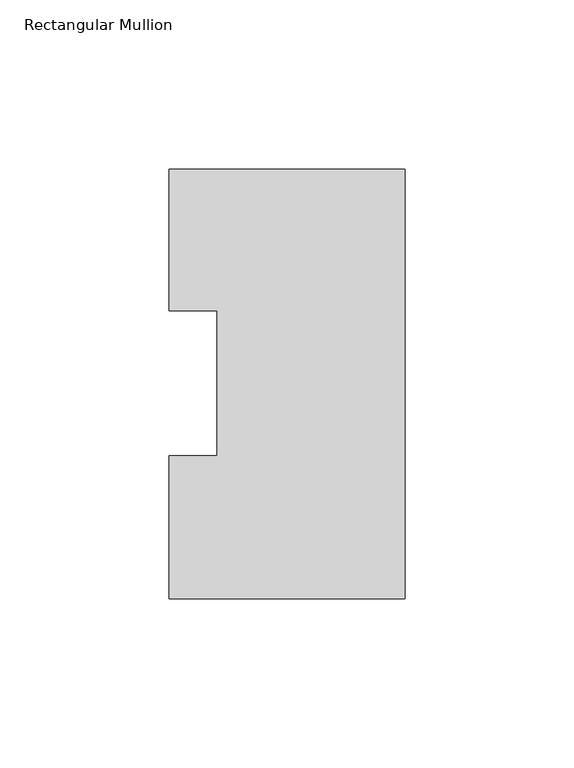
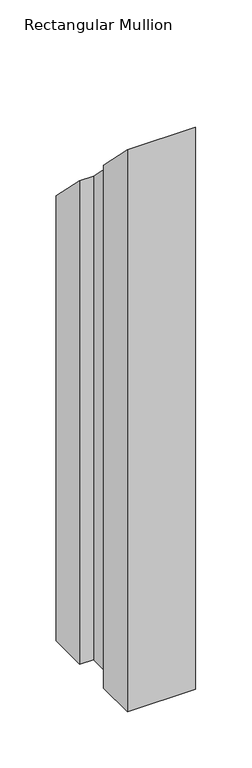
"""IFC4 building model written with IfcOpenShell, lengths in millimetres: member geometry, Rectangular Mullion."""

import ifcopenshell
import ifcopenshell.guid

model = None  # the IFC model being written
_history = None  # IfcOwnerHistory: only IFC2X3 demands one
_inside = {}  # id of a spatial element -> (the spatial element, [elements in it])
_under = {}  # id of a project, library or spatial element -> (it, [spatial elements below it])
_declared = {}  # id of a project -> (the project, [libraries it declares])
_typed = {}  # id of a type object -> (the type object, [elements of that type])
_made_of = {}  # id of a material, layer set ... -> (it, [elements and type objects made of it])


def new_model(schema):
    """Start an empty IFC model of exactly this schema.

    Asked for "IFC4X3", IfcOpenShell would pick the latest addendum, in which some entities
    have other attributes; the version numbers below select the first issue.
    IFC2X3 requires an IfcOwnerHistory on every rooted entity: one is made here for all.
    """
    global model, _history
    if schema == "IFC4X3":
        model = ifcopenshell.file(schema_version=(4, 3, 0, 0))
    else:
        model = ifcopenshell.file(schema=schema)
    _inside.clear()
    _under.clear()
    _declared.clear()
    _typed.clear()
    _made_of.clear()
    _history = None
    if model.schema == "IFC2X3":
        org = make("IfcOrganization", Name="unknown")
        user = make(
            "IfcPersonAndOrganization",
            ThePerson=make("IfcPerson", FamilyName="unknown"),
            TheOrganization=org,
        )
        app = make(
            "IfcApplication",
            ApplicationDeveloper=org,
            Version="unknown",
            ApplicationFullName="unknown",
            ApplicationIdentifier="unknown",
        )
        _history = make(
            "IfcOwnerHistory",
            OwningUser=user,
            OwningApplication=app,
            ChangeAction="ADDED",
            CreationDate=0,
        )
    return model


def make(cls, **values):
    """One entity of the class cls with the attributes given. An attribute that is None is left unset."""
    return model.create_entity(
        cls, **{name: value for name, value in values.items() if value is not None}
    )


def rooted(cls, **values):
    """An entity with a GlobalId (a new one), such as an element, a storey or a relation."""
    return make(cls, GlobalId=ifcopenshell.guid.new(), OwnerHistory=_history, **values)


def si_unit(unit_type, name, prefix=None):
    """IfcSIUnit, for example si_unit("LENGTHUNIT", "METRE", prefix="MILLI")."""
    return make("IfcSIUnit", UnitType=unit_type, Prefix=prefix, Name=name)


def assignment(units):
    """IfcUnitAssignment: the units of a project."""
    return None if units is None else make("IfcUnitAssignment", Units=units)


def point(xyz):
    """IfcCartesianPoint."""
    return None if xyz is None else make("IfcCartesianPoint", Coordinates=xyz)


def direction(xyz):
    """IfcDirection."""
    return None if xyz is None else make("IfcDirection", DirectionRatios=xyz)


def frame(location, z_axis=None, x_axis=None):
    """IfcAxis2Placement3D, a coordinate frame: its origin and axes. An axis left out is left unset."""
    return make(
        "IfcAxis2Placement3D",
        Location=point(location),
        Axis=direction(z_axis),
        RefDirection=direction(x_axis),
    )


def origin():
    """The frame at (0, 0, 0) with its axes left unset."""
    return frame((0.0, 0.0, 0.0))


def place(relative_to, where):
    """IfcLocalPlacement: puts the frame where relative to a parent placement (None: the world)."""
    return make(
        "IfcLocalPlacement", PlacementRelTo=relative_to, RelativePlacement=where
    )


def context(
    kind, dimensions, precision=None, world=None, true_north=None, identifier=None
):
    """IfcGeometricRepresentationContext, for example the 3D "Model" context."""
    return make(
        "IfcGeometricRepresentationContext",
        ContextIdentifier=identifier,
        ContextType=kind,
        CoordinateSpaceDimension=dimensions,
        Precision=precision,
        WorldCoordinateSystem=world,
        TrueNorth=true_north,
    )


def project(units=None, contexts=None):
    """IfcProject with its units and contexts."""
    return rooted(
        "IfcProject",
        Name="project",
        RepresentationContexts=contexts,
        UnitsInContext=assignment(units),
    )


def spatial(cls, under=None, at=None, **own):
    """A site, building, storey or space (cls), placed at a placement, below another one or the project."""
    s = rooted(cls, ObjectPlacement=at, **own)
    if under is not None:
        _under.setdefault(under.id(), (under, []))[1].append(s)
    return s


def faces_of(points, faces, orient=None, outer=None):
    """IfcFace entities. A face is a list of loops; a loop is a list of indices into points, from 0.

    orient and outer hold one flag for each loop. By default every Orientation is true, the
    first loop of a face is its IfcFaceOuterBound and the others are IfcFaceBound.
    """
    made = []
    for i, loops in enumerate(faces):
        bounds = []
        for j, loop in enumerate(loops):
            is_outer = j == 0 if outer is None else outer[i][j]
            bounds.append(
                make(
                    "IfcFaceOuterBound" if is_outer else "IfcFaceBound",
                    Bound=make("IfcPolyLoop", Polygon=[points[k] for k in loop]),
                    Orientation=True if orient is None else orient[i][j],
                )
            )
        made.append(make("IfcFace", Bounds=bounds))
    return made


def faceted_brep(points, faces, orient=None, outer=None, voids=None):
    """IfcFacetedBrep: a solid bounded by flat faces; with voids (closed shells), ...WithVoids."""
    shared = [point(p) for p in points]
    hull = make("IfcClosedShell", CfsFaces=faces_of(shared, faces, orient, outer))
    if voids is None:
        return make("IfcFacetedBrep", Outer=hull)
    return make(
        "IfcFacetedBrepWithVoids",
        Outer=hull,
        Voids=[
            make(cls, CfsFaces=faces_of(shared, fs, o, b)) for cls, fs, o, b in voids
        ],
    )


def shape(context_of_items, identifier, shape_type, items):
    """IfcShapeRepresentation: the items that make up one representation, for example the "Body"."""
    return make(
        "IfcShapeRepresentation",
        ContextOfItems=context_of_items,
        RepresentationIdentifier=identifier,
        RepresentationType=shape_type,
        Items=items,
    )


def source(mapping_origin, context_of_items, identifier, shape_type, items):
    """IfcRepresentationMap: a shape defined once, which mapped items show again and again."""
    return make(
        "IfcRepresentationMap",
        MappingOrigin=mapping_origin,
        MappedRepresentation=shape(context_of_items, identifier, shape_type, items),
    )


def transform(
    local_origin,
    x_axis=None,
    y_axis=None,
    z_axis=None,
    scale=None,
    scale2=None,
    scale3=None,
    uniform=True,
):
    """IfcCartesianTransformationOperator3D, or its non-uniform kind. x_axis, y_axis, z_axis: its Axis1, 2, 3."""
    if uniform:
        return make(
            "IfcCartesianTransformationOperator3D",
            Axis1=direction(x_axis),
            Axis2=direction(y_axis),
            LocalOrigin=point(local_origin),
            Scale=scale,
            Axis3=direction(z_axis),
        )
    return make(
        "IfcCartesianTransformationOperator3DnonUniform",
        Axis1=direction(x_axis),
        Axis2=direction(y_axis),
        LocalOrigin=point(local_origin),
        Scale=scale,
        Axis3=direction(z_axis),
        Scale2=scale2,
        Scale3=scale3,
    )


def mapped(mapping_source, mapping_target):
    """IfcMappedItem: shows the shape of a source again, moved by a transform."""
    return make(
        "IfcMappedItem", MappingSource=mapping_source, MappingTarget=mapping_target
    )


def made_of(thing, what):
    """Note that an element or type object is made of a material, layer set ...; save() writes the relation."""
    if what is not None:
        _made_of.setdefault(what.id(), (what, []))[1].append(thing)
    return thing


def element(
    cls,
    number,
    at=None,
    inside=None,
    cuts=None,
    type_object=None,
    material=None,
    context=None,
    identifier="Body",
    shape_type=None,
    held_by="IfcProductDefinitionShape",
    body=None,
    shapes=None,
    **own,
):
    """One element of the class cls, such as IfcWall. Its Tag is "e" and its number.

    at: its placement. inside: the storey or other place that contains it. cuts: it is an
    opening in that element (IfcRelVoidsElement). A single representation is given by context,
    identifier, shape_type and body (its items); several are given by shapes. held_by: the class
    of the entity that holds the representations. save() writes the other relations.
    """
    e = rooted(cls, Tag="e%d" % number, ObjectPlacement=at, **own)
    if body is not None:
        shapes = [shape(context, identifier, shape_type, body)]
    if shapes is not None:
        e.Representation = make(held_by, Representations=shapes)
    if inside is not None:
        _inside.setdefault(inside.id(), (inside, []))[1].append(e)
    if cuts is not None:
        rooted(
            "IfcRelVoidsElement", RelatingBuildingElement=cuts, RelatedOpeningElement=e
        )
    if type_object is not None:
        _typed.setdefault(type_object.id(), (type_object, []))[1].append(e)
    return made_of(e, material)


def aggregate(whole, parts):
    """IfcRelAggregates: a whole, such as a stair, and the parts it consists of."""
    return rooted("IfcRelAggregates", RelatingObject=whole, RelatedObjects=parts)


def save(model, path):
    """Write the relations noted so far, then the file.

    IfcRelAggregates (storeys below a building ...), IfcRelContainedInSpatialStructure (elements
    in a storey), IfcRelDefinesByType, IfcRelAssociatesMaterial and IfcRelDeclares: one each for
    every whole, place, type object, material and project.
    """
    for whole, parts in _under.values():
        aggregate(whole, parts)
    for where, things in _inside.values():
        rooted(
            "IfcRelContainedInSpatialStructure",
            RelatedElements=things,
            RelatingStructure=where,
        )
    for kind, things in _typed.values():
        rooted("IfcRelDefinesByType", RelatedObjects=things, RelatingType=kind)
    for what, things in _made_of.values():
        rooted("IfcRelAssociatesMaterial", RelatedObjects=things, RelatingMaterial=what)
    for by, libraries in _declared.values():
        rooted("IfcRelDeclares", RelatingContext=by, RelatedDefinitions=libraries)
    model.write(path)


def rectangular_mullion_c3a0a036(model_context):
    return source(origin(), model_context, "Body", "Brep", [
        faceted_brep([(-69.8489149, 126.9888875, -609.6), (0.0, 126.9888875, -609.6), (0.0, -0.0111125, -609.6), (-69.8489149, -0.0111125, -609.6), (-69.8489149, 42.2798875, -609.6), (-55.5639549, 42.2798875, -609.6), (-55.5639549, 85.1296875, -609.6), (-69.8489149, 85.1296875, -609.6), (-69.8489149, 85.1296875, -85.1296875), (-69.8489149, 126.9888875, -126.9888875), (-55.5639549, 85.1296875, -85.1296875), (-55.5639549, 42.2798875, -42.2798875), (-69.8489149, 42.2798875, -42.2798875), (-69.8489149, -0.0111125, 0.0111125), (0.0, -0.0111125, 0.0111125), (0.0, 126.9888875, -126.9888875)], [[[0, 1, 2, 3, 4, 5, 6, 7]], [[8, 9, 0, 7]], [[10, 8, 7, 6]], [[11, 10, 6, 5]], [[12, 11, 5, 4]], [[13, 12, 4, 3]], [[14, 13, 3, 2]], [[15, 14, 2, 1]], [[9, 15, 1, 0]], [[9, 8, 10, 11, 12, 13, 14, 15]]]),
    ])


if __name__ == "__main__":
    model = new_model("IFC4")
    model_context = context("Model", 3, world=origin())
    ifc_project = project(units=[si_unit("LENGTHUNIT", "METRE", prefix="MILLI")], contexts=[model_context])
    site = spatial("IfcSite", under=ifc_project)
    building = spatial("IfcBuilding", under=site)
    placement = place(None, origin())
    rectangular_mullion_shape = rectangular_mullion_c3a0a036(model_context)
    element("IfcMember", 1, ObjectType="Rectangular Mullion", at=placement, inside=building, context=model_context, shape_type="MappedRepresentation", body=[
        mapped(rectangular_mullion_shape, transform((0.0, 0.0, 0.0), x_axis=(1.0, 0.0, 0.0), y_axis=(0.0, 1.0, 0.0), z_axis=(0.0, 0.0, 1.0))),
    ])
    save(model, "model.ifc")
